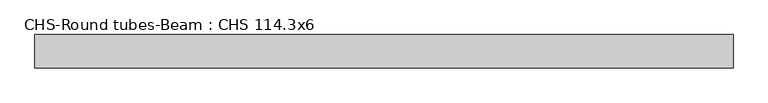
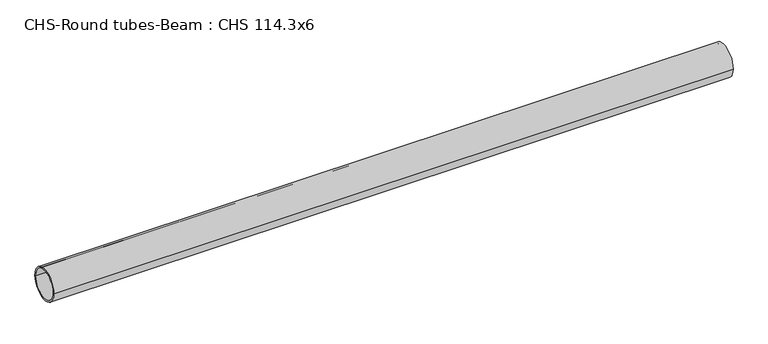
"""IFC4 building model written with IfcOpenShell, lengths in millimetres: beam geometry, CHS-Round tubes-Beam : CHS 114.3x6."""

from ifc_helpers import new_model, si_unit, point, frame, origin, origin_2d, place, context, project, spatial, circle_curve, trimmed, segment, composite_curve, outline, extrude, source, transform, mapped, element, save


def chs_round_tubes_beam_chs_114_3x6_41e79be4(model_context):
    return source(origin(), model_context, "Body", "SweptSolid", [
        extrude(outline(composite_curve([segment(trimmed(circle_curve(origin_2d(), 57.15), [point((57.15, 0.0))], [point((-57.15, 0.0))], False, "CARTESIAN"), True, "CONTINUOUS"), segment(trimmed(circle_curve(origin_2d(), 57.15), [point((-57.15, 0.0))], [point((57.15, 0.0))], False, "CARTESIAN"), True, "CONTINUOUS")], self_intersect=False), holes=[composite_curve([segment(trimmed(circle_curve(origin_2d(), 51.15), [point((51.15, 0.0))], [point((-51.15, 0.0))], True, "CARTESIAN"), True, "CONTINUOUS"), segment(trimmed(circle_curve(origin_2d(), 51.15), [point((-51.15, 0.0))], [point((51.15, 0.0))], True, "CARTESIAN"), True, "CONTINUOUS")], self_intersect=False)]), frame((-1158.715305, 0.0, 0.0), z_axis=(1.0, 0.0, 0.0), x_axis=(0.0, 1.0, 0.0)), (0.0, 0.0, 1.0), 2377.2737758),
    ])


if __name__ == "__main__":
    model = new_model("IFC4")
    model_context = context("Model", 3, world=origin())
    ifc_project = project(units=[si_unit("LENGTHUNIT", "METRE", prefix="MILLI")], contexts=[model_context])
    site = spatial("IfcSite", under=ifc_project)
    building = spatial("IfcBuilding", under=site)
    placement = place(None, origin())
    chs_round_tubes_beam_chs_114_3x6_shape = chs_round_tubes_beam_chs_114_3x6_41e79be4(model_context)
    element("IfcBeam", 1, ObjectType="CHS-Round tubes-Beam : CHS 114.3x6", at=placement, inside=building, context=model_context, shape_type="MappedRepresentation", body=[
        mapped(chs_round_tubes_beam_chs_114_3x6_shape, transform((0.0, 0.0, 0.0), x_axis=(1.0, 0.0, 0.0), y_axis=(0.0, 1.0, 0.0), z_axis=(0.0, 0.0, 1.0))),
    ])
    save(model, "model.ifc")
